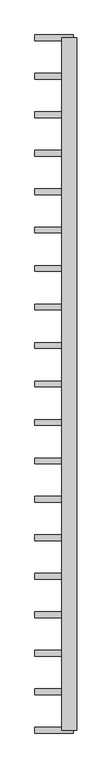
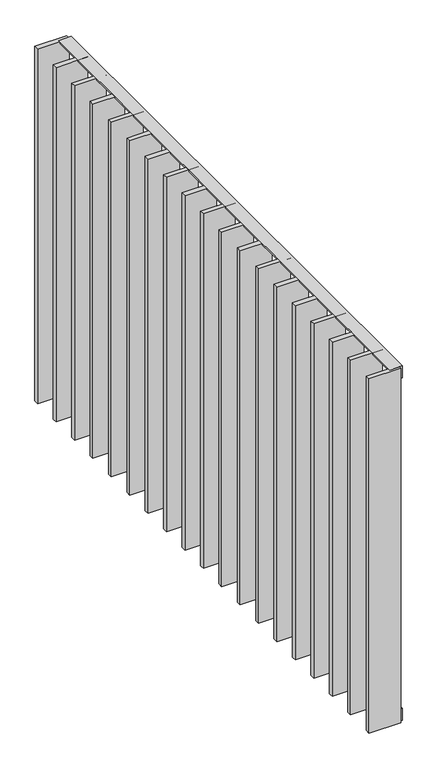
"""IFC4 building model written with IfcOpenShell, lengths in millimetres: railing geometry."""

from ifc_helpers import new_model, si_unit, frame, origin, place, context, project, spatial, polyline, outline, extrude, source, transform, mapped, element, save


def railing_6f7715d5(model_context):
    return source(origin(), model_context, "Body", "SweptSolid", [
        extrude(outline(polyline([(-6.0, 14.0), (-40.0, 14.0), (-40.0, 20.0), (0.0, 20.0), (0.0, -20.0), (-6.0, -20.0), (-6.0, 14.0)])), frame((4559.5112064, 4584.7883888, 8000.0), z_axis=(2.5671728463011867e-12, 1.0, 0.0), x_axis=(0.0, 0.0, 1.0)), (0.0, 0.0, 1.0), 1810.0),
        extrude(outline(polyline([(6.0, 14.0), (6.0, -20.0), (0.0, -20.0), (0.0, 20.0), (40.0, 20.0), (40.0, 14.0), (6.0, 14.0)])), frame((4559.5112064, 4584.7883888, 6820.0), z_axis=(2.5671728463011867e-12, 1.0, 0.0), x_axis=(0.0, 0.0, 1.0)), (0.0, 0.0, 1.0), 1810.0),
        extrude(outline(polyline([(4569.5112064, 6286.7328332), (4469.5112064, 6286.7328332), (4469.5112064, 6301.7328332), (4569.5112064, 6301.7328332), (4569.5112064, 6286.7328332)])), frame((0.0, 0.0, 6819.9), z_axis=(0.0, 0.0, 1.0), x_axis=(1.0, 0.0, 0.0)), (0.0, 0.0, 1.0), 1180.2),
        extrude(outline(polyline([(4569.5112064, 6186.1772777), (4469.5112064, 6186.1772777), (4469.5112064, 6201.1772777), (4569.5112064, 6201.1772777), (4569.5112064, 6186.1772777)])), frame((0.0, 0.0, 6819.9), z_axis=(0.0, 0.0, 1.0), x_axis=(1.0, 0.0, 0.0)), (0.0, 0.0, 1.0), 1180.2),
        extrude(outline(polyline([(4569.5112064, 6085.6217221), (4469.5112064, 6085.6217221), (4469.5112064, 6100.6217221), (4569.5112064, 6100.6217221), (4569.5112064, 6085.6217221)])), frame((0.0, 0.0, 6819.9), z_axis=(0.0, 0.0, 1.0), x_axis=(1.0, 0.0, 0.0)), (0.0, 0.0, 1.0), 1180.2),
        extrude(outline(polyline([(4569.5112064, 5985.0661666), (4469.5112064, 5985.0661666), (4469.5112064, 6000.0661666), (4569.5112064, 6000.0661666), (4569.5112064, 5985.0661666)])), frame((0.0, 0.0, 6819.9), z_axis=(0.0, 0.0, 1.0), x_axis=(1.0, 0.0, 0.0)), (0.0, 0.0, 1.0), 1180.2),
        extrude(outline(polyline([(4569.5112064, 5884.510611), (4469.5112064, 5884.510611), (4469.5112064, 5899.510611), (4569.5112064, 5899.510611), (4569.5112064, 5884.510611)])), frame((0.0, 0.0, 6819.9), z_axis=(0.0, 0.0, 1.0), x_axis=(1.0, 0.0, 0.0)), (0.0, 0.0, 1.0), 1180.2),
        extrude(outline(polyline([(4569.5112064, 5783.9550555), (4469.5112064, 5783.9550555), (4469.5112064, 5798.9550555), (4569.5112064, 5798.9550555), (4569.5112064, 5783.9550555)])), frame((0.0, 0.0, 6819.9), z_axis=(0.0, 0.0, 1.0), x_axis=(1.0, 0.0, 0.0)), (0.0, 0.0, 1.0), 1180.2),
        extrude(outline(polyline([(4569.5112064, 5683.3994999), (4469.5112064, 5683.3994999), (4469.5112064, 5698.3994999), (4569.5112064, 5698.3994999), (4569.5112064, 5683.3994999)])), frame((0.0, 0.0, 6819.9), z_axis=(0.0, 0.0, 1.0), x_axis=(1.0, 0.0, 0.0)), (0.0, 0.0, 1.0), 1180.2),
        extrude(outline(polyline([(4569.5112064, 5582.8439443), (4469.5112064, 5582.8439443), (4469.5112064, 5597.8439443), (4569.5112064, 5597.8439443), (4569.5112064, 5582.8439443)])), frame((0.0, 0.0, 6819.9), z_axis=(0.0, 0.0, 1.0), x_axis=(1.0, 0.0, 0.0)), (0.0, 0.0, 1.0), 1180.2),
        extrude(outline(polyline([(4569.5112064, 5482.2883888), (4469.5112064, 5482.2883888), (4469.5112064, 5497.2883888), (4569.5112064, 5497.2883888), (4569.5112064, 5482.2883888)])), frame((0.0, 0.0, 6819.9), z_axis=(0.0, 0.0, 1.0), x_axis=(1.0, 0.0, 0.0)), (0.0, 0.0, 1.0), 1180.2),
        extrude(outline(polyline([(4569.5112064, 5381.7328332), (4469.5112064, 5381.7328332), (4469.5112064, 5396.7328332), (4569.5112064, 5396.7328332), (4569.5112064, 5381.7328332)])), frame((0.0, 0.0, 6819.9), z_axis=(0.0, 0.0, 1.0), x_axis=(1.0, 0.0, 0.0)), (0.0, 0.0, 1.0), 1180.2),
        extrude(outline(polyline([(4569.5112064, 5281.1772777), (4469.5112064, 5281.1772777), (4469.5112064, 5296.1772777), (4569.5112064, 5296.1772777), (4569.5112064, 5281.1772777)])), frame((0.0, 0.0, 6819.9), z_axis=(0.0, 0.0, 1.0), x_axis=(1.0, 0.0, 0.0)), (0.0, 0.0, 1.0), 1180.2),
        extrude(outline(polyline([(4569.5112064, 5180.6217221), (4469.5112064, 5180.6217221), (4469.5112064, 5195.6217221), (4569.5112064, 5195.6217221), (4569.5112064, 5180.6217221)])), frame((0.0, 0.0, 6819.9), z_axis=(0.0, 0.0, 1.0), x_axis=(1.0, 0.0, 0.0)), (0.0, 0.0, 1.0), 1180.2),
        extrude(outline(polyline([(4569.5112064, 5080.0661666), (4469.5112064, 5080.0661666), (4469.5112064, 5095.0661666), (4569.5112064, 5095.0661666), (4569.5112064, 5080.0661666)])), frame((0.0, 0.0, 6819.9), z_axis=(0.0, 0.0, 1.0), x_axis=(1.0, 0.0, 0.0)), (0.0, 0.0, 1.0), 1180.2),
        extrude(outline(polyline([(4569.5112064, 4979.510611), (4469.5112064, 4979.510611), (4469.5112064, 4994.510611), (4569.5112064, 4994.510611), (4569.5112064, 4979.510611)])), frame((0.0, 0.0, 6819.9), z_axis=(0.0, 0.0, 1.0), x_axis=(1.0, 0.0, 0.0)), (0.0, 0.0, 1.0), 1180.2),
        extrude(outline(polyline([(4569.5112064, 4878.9550555), (4469.5112064, 4878.9550555), (4469.5112064, 4893.9550555), (4569.5112064, 4893.9550555), (4569.5112064, 4878.9550555)])), frame((0.0, 0.0, 6819.9), z_axis=(0.0, 0.0, 1.0), x_axis=(1.0, 0.0, 0.0)), (0.0, 0.0, 1.0), 1180.2),
        extrude(outline(polyline([(4569.5112064, 4778.3994999), (4469.5112064, 4778.3994999), (4469.5112064, 4793.3994999), (4569.5112064, 4793.3994999), (4569.5112064, 4778.3994999)])), frame((0.0, 0.0, 6819.9), z_axis=(0.0, 0.0, 1.0), x_axis=(1.0, 0.0, 0.0)), (0.0, 0.0, 1.0), 1180.2),
        extrude(outline(polyline([(4569.5112064, 4677.8439443), (4469.5112064, 4677.8439443), (4469.5112064, 4692.8439443), (4569.5112064, 4692.8439443), (4569.5112064, 4677.8439443)])), frame((0.0, 0.0, 6819.9), z_axis=(0.0, 0.0, 1.0), x_axis=(1.0, 0.0, 0.0)), (0.0, 0.0, 1.0), 1180.2),
        extrude(outline(polyline([(4569.5112064, 6387.2883888), (4469.5112064, 6387.2883888), (4469.5112064, 6402.2883888), (4569.5112064, 6402.2883888), (4569.5112064, 6387.2883888)])), frame((0.0, 0.0, 6819.9), z_axis=(0.0, 0.0, 1.0), x_axis=(1.0, 0.0, 0.0)), (0.0, 0.0, 1.0), 1180.2),
        extrude(outline(polyline([(4569.5112064, 4577.2883888), (4469.5112064, 4577.2883888), (4469.5112064, 4592.2883888), (4569.5112064, 4592.2883888), (4569.5112064, 4577.2883888)])), frame((0.0, 0.0, 6819.9), z_axis=(0.0, 0.0, 1.0), x_axis=(1.0, 0.0, 0.0)), (0.0, 0.0, 1.0), 1180.2),
    ])


if __name__ == "__main__":
    model = new_model("IFC4")
    model_context = context("Model", 3, world=origin())
    ifc_project = project(units=[si_unit("LENGTHUNIT", "METRE", prefix="MILLI")], contexts=[model_context])
    site = spatial("IfcSite", under=ifc_project)
    building = spatial("IfcBuilding", under=site)
    placement = place(None, origin())
    railing_shape = railing_6f7715d5(model_context)
    element("IfcRailing", 1, at=placement, inside=building, context=model_context, shape_type="MappedRepresentation", body=[
        mapped(railing_shape, transform((0.0, 0.0, 0.0), x_axis=(1.0, 0.0, 0.0), y_axis=(0.0, 1.0, 0.0), z_axis=(0.0, 0.0, 1.0))),
    ])
    save(model, "model.ifc")
